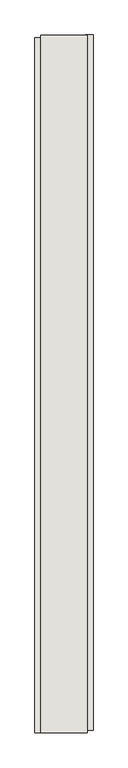
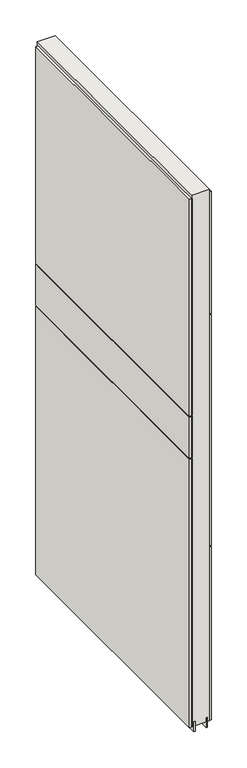
"""IFC4 building model written with IfcOpenShell, lengths in millimetres: wall geometry."""

from ifc_helpers import new_model, si_unit, frame, origin, place, context, project, spatial, polyline, outline, extrude, source, transform, mapped, element, save


def wall_443260f5(model_context):
    return source(origin(), model_context, "Body", "SweptSolid", [
        extrude(outline(polyline([(73283.482211, -40630.432836), (73283.482211, -40632.972836), (73280.942211, -40632.972836), (73280.942211, -40630.432836), (73283.482211, -40630.432836)])), frame((0.0, 0.0, 4419.6), z_axis=(0.0, 0.0, 1.0), x_axis=(1.0, 0.0, 0.0)), (0.0, 0.0, 1.0), 2.54),
        extrude(outline(polyline([(73231.412211, -41850.0965638), (73231.412211, -40634.8965558), (73244.112211, -40634.8965558), (73244.112211, -41850.0965638), (73231.412211, -41850.0965638)])), frame((0.0, 0.0, 5945.599869), z_axis=(0.0, 0.0, 1.0), x_axis=(1.0, 0.0, 0.0)), (0.0, 0.0, 1.0), 1044.449905),
        extrude(outline(polyline([(73231.412211, -41850.0965638), (73231.412211, -40634.8965558), (73244.112211, -40634.8965558), (73244.112211, -41850.0965638), (73231.412211, -41850.0965638)])), frame((0.0, 0.0, 5742.3999706), z_axis=(0.0, 0.0, 1.0), x_axis=(1.0, 0.0, 0.0)), (0.0, 0.0, 1.0), 199.2000512),
        extrude(outline(polyline([(73231.412211, -41850.0965638), (73231.412211, -40634.8965558), (73244.112211, -40634.8965558), (73244.112211, -41850.0965638), (73231.412211, -41850.0965638)])), frame((0.0, 0.0, 4445.0), z_axis=(0.0, 0.0, 1.0), x_axis=(1.0, 0.0, 0.0)), (0.0, 0.0, 1.0), 1293.400004),
        extrude(outline(polyline([(73333.012211, -40629.966619), (73333.012211, -41845.166627), (73320.312211, -41845.166627), (73320.312211, -40629.966619), (73333.012211, -40629.966619)])), frame((0.0, 0.0, 6402.8000722), z_axis=(0.0, 0.0, 1.0), x_axis=(1.0, 0.0, 0.0)), (0.0, 0.0, 1.0), 587.2498034),
        extrude(outline(polyline([(73333.012211, -40629.966619), (73333.012211, -41845.166627), (73320.312211, -41845.166627), (73320.312211, -40629.966619), (73333.012211, -40629.966619)])), frame((0.0, 0.0, 5285.2000722), z_axis=(0.0, 0.0, 1.0), x_axis=(1.0, 0.0, 0.0)), (0.0, 0.0, 1.0), 1113.5999572),
        extrude(outline(polyline([(73333.012211, -40629.966619), (73333.012211, -41845.166627), (73320.312211, -41845.166627), (73320.312211, -40629.966619), (73333.012211, -40629.966619)])), frame((0.0, 0.0, 4445.0), z_axis=(0.0, 0.0, 1.0), x_axis=(1.0, 0.0, 0.0)), (0.0, 0.0, 1.0), 836.200004),
        extrude(outline(polyline([(73257.1284664, -40630.4253938), (73257.1284664, -41849.6253938), (73252.049711, -41849.6253938), (73252.049711, -40630.4253938), (73257.1284664, -40630.4253938)])), frame((0.0, 0.0, 4418.6602), z_axis=(0.0, 0.0, 1.0), x_axis=(1.0, 0.0, 0.0)), (0.0, 0.0, 1.0), 47.625),
        extrude(outline(polyline([(73257.1284664, -40630.4253938), (73257.1284664, -41849.6253938), (73252.049711, -41849.6253938), (73252.049711, -40630.4253938), (73257.1284664, -40630.4253938)])), frame((0.0, 0.0, 4418.6602), z_axis=(0.0, 0.0, 1.0), x_axis=(1.0, 0.0, 0.0)), (0.0, 0.0, 1.0), 47.625),
        extrude(outline(polyline([(73307.2959556, -41849.6253938), (73307.2959556, -40630.4253938), (73312.374711, -40630.4253938), (73312.374711, -41849.6253938), (73307.2959556, -41849.6253938)])), frame((0.0, 0.0, 4418.6602), z_axis=(0.0, 0.0, 1.0), x_axis=(1.0, 0.0, 0.0)), (0.0, 0.0, 1.0), 47.625),
        extrude(outline(polyline([(73307.2959556, -41849.6253938), (73307.2959556, -40630.4253938), (73312.374711, -40630.4253938), (73312.374711, -41849.6253938), (73307.2959556, -41849.6253938)])), frame((0.0, 0.0, 4418.6602), z_axis=(0.0, 0.0, 1.0), x_axis=(1.0, 0.0, 0.0)), (0.0, 0.0, 1.0), 47.625),
        extrude(outline(polyline([(73241.5573266, -40630.4253938), (73322.8670954, -40630.4253938), (73322.8670954, -41849.6253938), (73241.5573266, -41849.6253938), (73241.5573266, -40630.4253938)])), frame((0.0, 0.0, 4445.0), z_axis=(0.0, 0.0, 1.0), x_axis=(1.0, 0.0, 0.0)), (0.0, 0.0, 1.0), 2562.4536762),
    ])


if __name__ == "__main__":
    model = new_model("IFC4")
    model_context = context("Model", 3, world=origin())
    ifc_project = project(units=[si_unit("LENGTHUNIT", "METRE", prefix="MILLI")], contexts=[model_context])
    site = spatial("IfcSite", under=ifc_project)
    building = spatial("IfcBuilding", under=site)
    placement = place(None, origin())
    wall_shape = wall_443260f5(model_context)
    element("IfcWall", 1, at=placement, inside=building, context=model_context, shape_type="MappedRepresentation", body=[
        mapped(wall_shape, transform((0.0, 0.0, 0.0), x_axis=(1.0, 0.0, 0.0), y_axis=(0.0, 1.0, 0.0), z_axis=(0.0, 0.0, 1.0))),
    ])
    save(model, "model.ifc")
